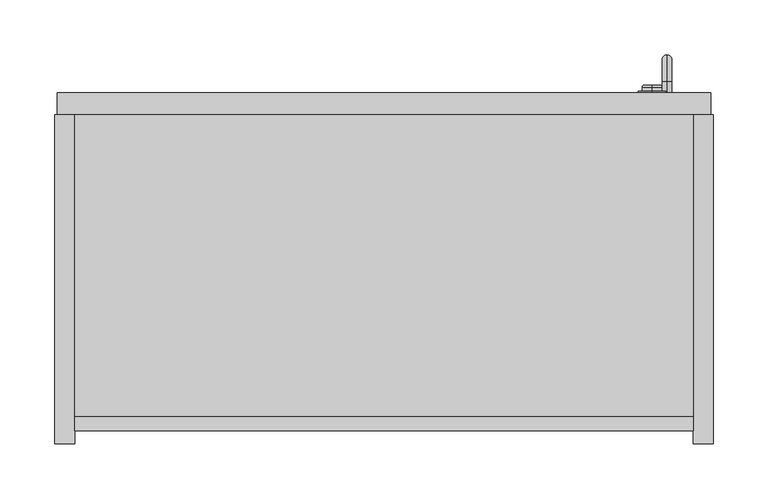
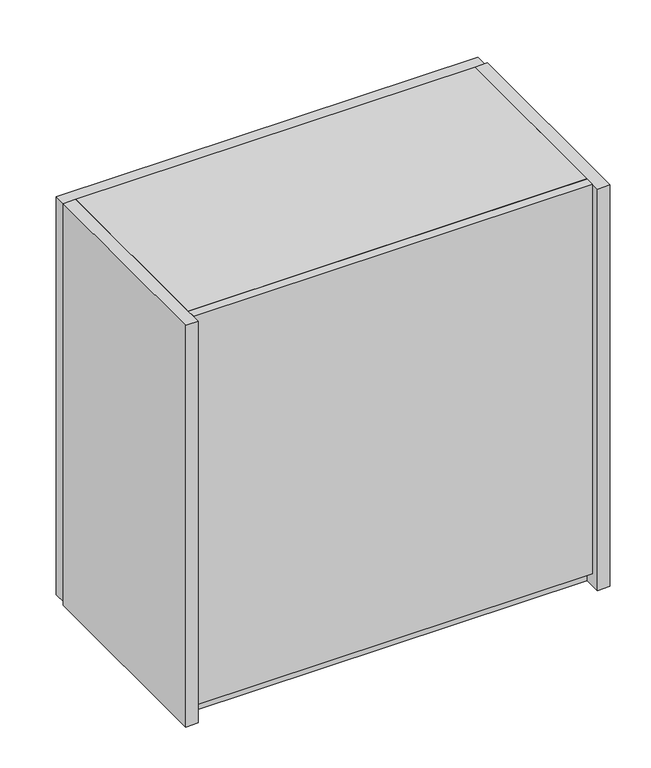
"""IFC4 building model written with IfcOpenShell, lengths in millimetres: furniture geometry."""

from ifc_helpers import new_model, si_unit, point, frame, origin, place, context, project, spatial, polyline, circle_curve, ellipse_curve, trimmed, outline, extrude, source, transform, mapped, element, save
from ifc_brep_helpers import plane_surface, cylinder_surface, revolved_surface, advanced_brep


def furniture_4c5db681(model_context):
    return source(origin(), model_context, "Body", "SolidModel", [
        advanced_brep(
        [(682.875, 320.4, 1674.5), (682.875, 320.4, 1665.5), (682.875, 330.4, 1674.5), (682.875, 330.4, 1665.5), (682.875, 345.9, 1650.0), (682.875, 354.9, 1650.0), (682.875, 354.9, 1570.0), (682.875, 345.9, 1570.0), (682.875, 330.4, 1554.5), (682.875, 330.4, 1545.5), (682.875, 320.4, 1545.5), (682.875, 320.4, 1554.5)],
        [
            (0, 1, circle_curve(frame((682.875, 320.4, 1670.0), z_axis=(0.0, -1.0, 0.0), x_axis=(0.0, 0.0, -1.0)), 4.5)),
            (1, 0, circle_curve(frame((682.875, 320.4, 1670.0), z_axis=(0.0, -1.0, 0.0), x_axis=(0.0, 0.0, -1.0)), 4.5)),
            (0, 2),
            (2, 3, circle_curve(frame((682.875, 330.4, 1670.0), z_axis=(0.0, -1.0, 0.0), x_axis=(0.0, 0.0, -1.0)), 4.5)),
            (3, 1),
            (3, 2, circle_curve(frame((682.875, 330.4, 1670.0), z_axis=(0.0, -1.0, 0.0), x_axis=(0.0, 0.0, -1.0)), 4.5)),
            (4, 3, circle_curve(frame((682.875, 330.4, 1650.0), z_axis=(1.0, 0.0, 0.0), x_axis=(0.0, 0.0, 1.0)), 15.5)),
            (2, 5, circle_curve(frame((682.875, 330.4, 1650.0), z_axis=(-1.0, 0.0, 0.0), x_axis=(0.0, 0.0, 1.0)), 24.5)),
            (5, 4, circle_curve(frame((682.875, 350.4, 1650.0), z_axis=(0.0, 0.0, 1.0), x_axis=(0.0, -1.0, 0.0)), 4.5)),
            (4, 5, circle_curve(frame((682.875, 350.4, 1650.0), z_axis=(0.0, 0.0, 1.0), x_axis=(0.0, -1.0, 0.0)), 4.5)),
            (5, 6),
            (6, 7, circle_curve(frame((682.875, 350.4, 1570.0), z_axis=(0.0, 0.0, 1.0), x_axis=(0.0, -1.0, 0.0)), 4.5)),
            (7, 4),
            (7, 6, circle_curve(frame((682.875, 350.4, 1570.0), z_axis=(0.0, 0.0, 1.0), x_axis=(0.0, -1.0, 0.0)), 4.5)),
            (8, 7, circle_curve(frame((682.875, 330.4, 1570.0), z_axis=(1.0, 0.0, 0.0), x_axis=(0.0, 1.0, 0.0)), 15.5)),
            (6, 9, circle_curve(frame((682.875, 330.4, 1570.0), z_axis=(-1.0, 0.0, 0.0), x_axis=(0.0, 1.0, 0.0)), 24.5)),
            (9, 8, circle_curve(frame((682.875, 330.4, 1550.0), z_axis=(0.0, 1.0, 0.0), x_axis=(0.0, 0.0, 1.0)), 4.5)),
            (8, 9, circle_curve(frame((682.875, 330.4, 1550.0), z_axis=(0.0, 1.0, 0.0), x_axis=(0.0, 0.0, 1.0)), 4.5)),
            (10, 11, circle_curve(frame((682.875, 320.4, 1550.0), z_axis=(0.0, -1.0, 0.0), x_axis=(0.0, 0.0, 1.0)), 4.5)),
            (11, 10, circle_curve(frame((682.875, 320.4, 1550.0), z_axis=(0.0, -1.0, 0.0), x_axis=(0.0, 0.0, 1.0)), 4.5)),
            (9, 10),
            (11, 8),
        ],
        [
            plane_surface(frame((682.875, 320.4, 1670.0), z_axis=(0.0, -1.0, 0.0), x_axis=(-1.0, 0.0, 0.0))),
            cylinder_surface(frame((682.875, 320.4, 1670.0), z_axis=(0.0, -1.0, 0.0), x_axis=(0.0, 0.0, -1.0)), 4.5),
            revolved_surface(trimmed(ellipse_curve(frame((682.875, 330.4, 1670.0), z_axis=(0.0, -1.0, 0.0), x_axis=(0.0, 0.0, -1.0)), 4.5, 4.5), [point((682.875, 330.4, 1674.5))], [point((682.875, 330.4, 1665.5))], True, "CARTESIAN"), (682.875, 330.4, 1650.0), (-1.0, 0.0, 0.0)),
            revolved_surface(trimmed(ellipse_curve(frame((682.875, 330.4, 1670.0), z_axis=(0.0, -1.0, 0.0), x_axis=(0.0, 0.0, -1.0)), 4.5, 4.5), [point((682.875, 330.4, 1665.5))], [point((682.875, 330.4, 1674.5))], True, "CARTESIAN"), (682.875, 330.4, 1650.0), (-1.0, 0.0, 0.0)),
            cylinder_surface(frame((682.875, 350.4, 1650.0), z_axis=(0.0, 0.0, 1.0), x_axis=(0.0, -1.0, 0.0)), 4.5),
            revolved_surface(trimmed(ellipse_curve(frame((682.875, 350.4, 1570.0), z_axis=(0.0, 0.0, 1.0), x_axis=(0.0, -1.0, 0.0)), 4.5, 4.5), [point((682.875, 354.9, 1570.0))], [point((682.875, 345.9, 1570.0))], True, "CARTESIAN"), (682.875, 330.4, 1570.0), (-1.0, 0.0, 0.0)),
            revolved_surface(trimmed(ellipse_curve(frame((682.875, 350.4, 1570.0), z_axis=(0.0, 0.0, 1.0), x_axis=(0.0, -1.0, 0.0)), 4.5, 4.5), [point((682.875, 345.9, 1570.0))], [point((682.875, 354.9, 1570.0))], True, "CARTESIAN"), (682.875, 330.4, 1570.0), (-1.0, 0.0, 0.0)),
            plane_surface(frame((682.875, 320.4, 1550.0), z_axis=(0.0, -1.0, 0.0), x_axis=(-1.0, 0.0, 0.0))),
            cylinder_surface(frame((682.875, 330.4, 1550.0), z_axis=(0.0, 1.0, 0.0), x_axis=(0.0, 0.0, 1.0)), 4.5),
        ],
        [
            (0, [[1, 2]]),
            (1, [[-1, 3, 4, 5]]),
            (1, [[-2, -5, 6, -3]]),
            (2, [[7, -4, 8, 9]]),
            (3, [[-8, -6, -7, 10]]),
            (4, [[-9, 11, 12, 13]]),
            (4, [[-10, -13, 14, -11]]),
            (5, [[15, -12, 16, 17]]),
            (6, [[-16, -14, -15, 18]]),
            (7, [[19, 20]]),
            (8, [[-17, 21, -20, 22]]),
            (8, [[-18, -22, -19, -21]]),
        ],
    ),
        extrude(outline(polyline([(723.0, 320.4), (723.0, 300.4), (127.0, 300.4), (127.0, 320.4), (723.0, 320.4)])), frame((0.0, 0.0, 1502.8302988), z_axis=(0.0, 0.0, 1.0), x_axis=(1.0, 0.0, 0.0)), (0.0, 0.0, 1.0), 594.3276989),
        extrude(outline(polyline([(707.0, 25.4), (143.0, 25.4), (143.0, 300.4), (707.0, 300.4), (707.0, 25.4)])), frame((0.0, 0.0, 1500.0), z_axis=(0.0, 0.0, 1.0), x_axis=(1.0, 0.0, 0.0)), (0.0, 0.0, 1.0), 18.0),
        extrude(outline(polyline([(707.0, 25.4), (143.0, 25.4), (143.0, 300.4), (707.0, 300.4), (707.0, 25.4)])), frame((0.0, 0.0, 2082.0), z_axis=(0.0, 0.0, 1.0), x_axis=(1.0, 0.0, 0.0)), (0.0, 0.0, 1.0), 18.0),
        extrude(outline(polyline([(707.0, 25.4), (707.0, 12.4), (143.0, 12.4), (143.0, 25.4), (707.0, 25.4)])), frame((0.0, 0.0, 1518.0), z_axis=(0.0, 0.0, 1.0), x_axis=(1.0, 0.0, 0.0)), (0.0, 0.0, 1.0), 582.0),
        extrude(outline(polyline([(143.0, 0.4), (125.0, 0.4), (125.0, 300.4), (143.0, 300.4), (143.0, 0.4)])), frame((0.0, 0.0, 1500.0), z_axis=(0.0, 0.0, 1.0), x_axis=(1.0, 0.0, 0.0)), (0.0, 0.0, 1.0), 600.0),
        extrude(outline(polyline([(725.0, 0.4), (707.0, 0.4), (707.0, 300.4), (725.0, 300.4), (725.0, 0.4)])), frame((0.0, 0.0, 1500.0), z_axis=(0.0, 0.0, 1.0), x_axis=(1.0, 0.0, 0.0)), (0.0, 0.0, 1.0), 600.0),
        advanced_brep(
        [(669.2015052, 320.4, 1772.0354544), (669.2015052, 320.4, 1797.0354544), (669.2015052, 321.9, 1797.0354544), (669.2015052, 321.9, 1772.0354544), (669.2015052, 320.4, 1784.5354544), (669.2015052, 327.275, 1776.5354544), (669.2015052, 327.275, 1792.5354544), (669.2015052, 327.275, 1788.8704481), (668.4296576, 327.275, 1788.8704481), (668.4296576, 327.275, 1780.3418187), (669.2015052, 327.275, 1780.3418187), (670.1556898, 327.275, 1780.3418187), (670.1556898, 327.275, 1788.8704481), (669.2015052, 325.275, 1775.5354544), (669.2015052, 325.275, 1793.5354544), (669.2015052, 321.9, 1775.5354544), (669.2015052, 321.9, 1793.5354544), (668.4296576, 322.4, 1788.8704481), (670.1556898, 322.4, 1788.8704481), (670.1556898, 322.4, 1780.3418187), (668.4296576, 322.4, 1780.3418187)],
        [
            (0, 1, circle_curve(frame((669.2015052, 320.4, 1784.5354544), z_axis=(0.0, 1.0, 0.0), x_axis=(0.0, 0.0, 1.0)), 12.5)),
            (1, 2),
            (2, 3, circle_curve(frame((669.2015052, 321.9, 1784.5354544), z_axis=(0.0, -1.0, 0.0), x_axis=(0.0, 0.0, 1.0)), 12.5)),
            (3, 0),
            (1, 0, circle_curve(frame((669.2015052, 320.4, 1784.5354544), z_axis=(0.0, 1.0, 0.0), x_axis=(0.0, 0.0, 1.0)), 12.5)),
            (3, 2, circle_curve(frame((669.2015052, 321.9, 1784.5354544), z_axis=(0.0, -1.0, 0.0), x_axis=(0.0, 0.0, 1.0)), 12.5)),
            (0, 4),
            (4, 1),
            (5, 6, circle_curve(frame((669.2015052, 327.275, 1784.5354544), z_axis=(0.0, 1.0, 0.0), x_axis=(0.0, 0.0, 1.0)), 8.0)),
            (6, 7),
            (7, 8),
            (8, 9),
            (9, 10),
            (10, 5),
            (6, 5, circle_curve(frame((669.2015052, 327.275, 1784.5354544), z_axis=(0.0, 1.0, 0.0), x_axis=(0.0, 0.0, 1.0)), 8.0)),
            (10, 11),
            (11, 12),
            (12, 7),
            (5, 13, circle_curve(frame((669.2015052, 325.2658744, 1778.0537056), z_axis=(-1.0, 0.0, 0.0), x_axis=(0.0, 1.0, 0.0)), 2.5182677)),
            (13, 14, circle_curve(frame((669.2015052, 325.275, 1784.5354544), z_axis=(0.0, 1.0, 0.0), x_axis=(0.0, 0.0, 1.0)), 9.0)),
            (14, 6, circle_curve(frame((669.2015052, 325.2658744, 1791.0172033), z_axis=(-1.0, 0.0, 0.0), x_axis=(0.0, 1.0, 0.0)), 2.5182677)),
            (14, 13, circle_curve(frame((669.2015052, 325.275, 1784.5354544), z_axis=(0.0, 1.0, 0.0), x_axis=(0.0, 0.0, 1.0)), 9.0)),
            (13, 15),
            (15, 16, circle_curve(frame((669.2015052, 321.9, 1784.5354544), z_axis=(0.0, 1.0, 0.0), x_axis=(0.0, 0.0, 1.0)), 9.0)),
            (16, 14),
            (16, 15, circle_curve(frame((669.2015052, 321.9, 1784.5354544), z_axis=(0.0, 1.0, 0.0), x_axis=(0.0, 0.0, 1.0)), 9.0)),
            (2, 16),
            (15, 3),
            (17, 18),
            (18, 19),
            (19, 20),
            (20, 17),
            (20, 9),
            (8, 17),
            (19, 11),
            (18, 12),
        ],
        [
            cylinder_surface(frame((669.2015052, 320.4, 1784.5354544), z_axis=(0.0, -1.0, 0.0), x_axis=(0.0, 0.0, 1.0)), 12.5),
            plane_surface(frame((669.2015052, 320.4, 1784.5354544), z_axis=(0.0, -1.0, 0.0), x_axis=(0.0, 0.0, 1.0))),
            plane_surface(frame((669.2015052, 327.275, 1784.5354544), z_axis=(0.0, 1.0, 0.0), x_axis=(0.0, 0.0, 1.0))),
            revolved_surface(trimmed(ellipse_curve(frame((669.2015052, 325.2658744, 1791.0172033), z_axis=(1.0, 0.0, 0.0), x_axis=(0.0, 1.0, 0.0)), 2.5182677, 2.5182677), [point((669.2015052, 327.275, 1792.5354544))], [point((669.2015052, 325.275, 1793.5354544))], True, "CARTESIAN"), (669.2015052, 320.4, 1784.5354544), (0.0, -1.0, 0.0)),
            cylinder_surface(frame((669.2015052, 320.4, 1784.5354544), z_axis=(0.0, -1.0, 0.0), x_axis=(0.0, 0.0, 1.0)), 9.0),
            plane_surface(frame((669.2015052, 321.9, 1784.5354544), z_axis=(0.0, 1.0, 0.0), x_axis=(0.0, 0.0, 1.0))),
            plane_surface(frame((668.4296576, 322.4, 1788.8704481), z_axis=(0.0, 1.0, 0.0), x_axis=(0.0, 0.0, -1.0))),
            plane_surface(frame((668.4296576, 322.4, 1788.8704481), z_axis=(1.0, 0.0, 0.0), x_axis=(0.0, 1.0, 0.0))),
            plane_surface(frame((668.4296576, 322.4, 1780.3418187), z_axis=(0.0, 0.0, 1.0), x_axis=(0.0, 1.0, 0.0))),
            plane_surface(frame((670.1556898, 322.4, 1780.3418187), z_axis=(-1.0, 0.0, 0.0), x_axis=(0.0, 1.0, 0.0))),
            plane_surface(frame((670.1556898, 322.4, 1788.8704481), z_axis=(0.0, 0.0, -1.0), x_axis=(0.0, 1.0, 0.0))),
        ],
        [
            (0, [[1, 2, 3, 4]]),
            (0, [[-2, 5, -4, 6]]),
            (1, [[-1, 7, 8]]),
            (1, [[-5, -8, -7]]),
            (2, [[9, 10, 11, 12, 13, 14]]),
            (2, [[15, -14, 16, 17, 18, -10]]),
            (3, [[-9, 19, 20, 21]]),
            (3, [[-15, -21, 22, -19]]),
            (4, [[-20, 23, 24, 25]]),
            (4, [[-22, -25, 26, -23]]),
            (5, [[-3, 27, -24, 28]]),
            (5, [[-6, -28, -26, -27]]),
            (6, [[29, 30, 31, 32]]),
            (7, [[-32, 33, -12, 34]]),
            (8, [[-31, 35, -16, -13, -33]]),
            (9, [[-30, 36, -17, -35]]),
            (10, [[-29, -34, -11, -18, -36]]),
        ],
    ),
    ])


if __name__ == "__main__":
    model = new_model("IFC4")
    model_context = context("Model", 3, world=origin())
    ifc_project = project(units=[si_unit("LENGTHUNIT", "METRE", prefix="MILLI")], contexts=[model_context])
    site = spatial("IfcSite", under=ifc_project)
    building = spatial("IfcBuilding", under=site)
    placement = place(None, origin())
    furniture_shape = furniture_4c5db681(model_context)
    element("IfcFurniture", 1, at=placement, inside=building, context=model_context, shape_type="MappedRepresentation", body=[
        mapped(furniture_shape, transform((0.0, 0.0, 0.0), x_axis=(1.0, 0.0, 0.0), y_axis=(0.0, 1.0, 0.0), z_axis=(0.0, 0.0, 1.0))),
    ])
    save(model, "model.ifc")
